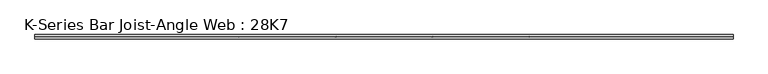
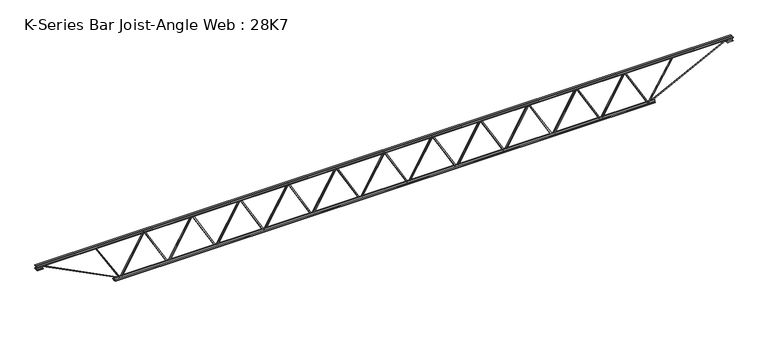
"""IFC4 building model written with IfcOpenShell, lengths in millimetres: beam geometry, K-Series Bar Joist-Angle Web : 28K7."""

from ifc_helpers import new_model, si_unit, frame, origin, place, context, project, spatial, polyline, outline, extrude, faceted_brep, source, transform, mapped, element, save


def k_series_bar_joist_angle_web_28k7_7d326d6a(model_context):
    return source(origin(), model_context, "Body", "SolidModel", [
        extrude(outline(polyline([(-4.7625, 4.7625), (-4.7625, 0.0), (-17.4625, 0.0), (-17.4625, 4.7625), (-4.7625, 4.7625)])), frame((3647.0121177, 0.0, -317.5), z_axis=(-0.5001273071298886, 0.0, 0.8659518905014332), x_axis=(0.0, -1.0, 0.0)), (0.0, 0.0, 1.0), 733.2970884),
        extrude(outline(polyline([(-352.425, 3679.03125), (-333.375, 3679.03125), (-333.375, 3678.1795779), (352.425, 3282.0983279), (352.425, 3263.9), (333.375, 3263.9), (333.375, 3271.1016721), (-352.425, 3667.1829221), (-352.425, 3679.03125)])), frame((0.0, 0.0, 0.0), z_axis=(0.0, 1.0, 0.0), x_axis=(0.0, 0.0, 1.0)), (0.0, 0.0, 1.0), 4.7625),
        faceted_brep([(2861.46875, 0.0, -333.375), (2861.46875, 0.0, -352.425), (2861.46875, -4.7625, -352.425), (2861.46875, -4.7625, -333.375), (2862.3204221, 0.0, -333.375), (3258.4016721, 0.0, 352.425), (3276.6, 0.0, 352.425), (3276.6, 0.0, 333.375), (3269.3983279, 0.0, 333.375), (2873.3170779, 0.0, -352.425), (2873.3170779, -4.7625, -352.425), (2893.4878823, -4.7625, -317.5), (2889.3637864, -4.7625, -315.1181437), (3256.1056845, -4.7625, 319.8818563), (3260.2297804, -4.7625, 317.5), (3269.3983279, -4.7625, 333.375), (3276.6, -4.7625, 333.375), (3276.6, -4.7625, 352.425), (3258.4016721, -4.7625, 352.425), (2862.3204221, -4.7625, -333.375), (3260.2297804, -17.4625, 317.5), (2893.4878823, -17.4625, -317.5), (2889.3637864, -17.4625, -315.1181437), (3256.1056845, -17.4625, 319.8818563)], [[[0, 1, 2, 3]], [[1, 0, 4, 5, 6, 7, 8, 9]], [[2, 1, 9, 10]], [[3, 2, 10, 11, 12, 13, 14, 15, 16, 17, 18, 19]], [[0, 3, 19, 4]], [[9, 8, 15, 14, 20, 21, 11, 10]], [[5, 4, 19, 18]], [[7, 6, 17, 16]], [[8, 7, 16, 15]], [[6, 5, 18, 17]], [[21, 22, 12, 11]], [[20, 14, 13, 23]], [[22, 21, 20, 23]], [[12, 22, 23, 13]]]),
        extrude(outline(polyline([(-4.7625, 4.7625), (-4.7625, 0.0), (-17.4625, 0.0), (-17.4625, 4.7625), (-4.7625, 4.7625)])), frame((2829.4496177, 0.0, -317.5), z_axis=(-0.5001273071298886, 0.0, 0.8659518905014332), x_axis=(0.0, -1.0, 0.0)), (0.0, 0.0, 1.0), 733.2970884),
        extrude(outline(polyline([(-352.425, 2861.46875), (-333.375, 2861.46875), (-333.375, 2860.6170779), (352.425, 2464.5358279), (352.425, 2446.3375), (333.375, 2446.3375), (333.375, 2453.5391721), (-352.425, 2849.6204221), (-352.425, 2861.46875)])), frame((0.0, 0.0, 0.0), z_axis=(0.0, 1.0, 0.0), x_axis=(0.0, 0.0, 1.0)), (0.0, 0.0, 1.0), 4.7625),
        faceted_brep([(2043.90625, 0.0, -333.375), (2043.90625, 0.0, -352.425), (2043.90625, -4.7625, -352.425), (2043.90625, -4.7625, -333.375), (2044.7579221, 0.0, -333.375), (2440.8391721, 0.0, 352.425), (2459.0375, 0.0, 352.425), (2459.0375, 0.0, 333.375), (2451.8358279, 0.0, 333.375), (2055.7545779, 0.0, -352.425), (2055.7545779, -4.7625, -352.425), (2075.9253823, -4.7625, -317.5), (2071.8012864, -4.7625, -315.1181437), (2438.5431845, -4.7625, 319.8818563), (2442.6672804, -4.7625, 317.5), (2451.8358279, -4.7625, 333.375), (2459.0375, -4.7625, 333.375), (2459.0375, -4.7625, 352.425), (2440.8391721, -4.7625, 352.425), (2044.7579221, -4.7625, -333.375), (2442.6672804, -17.4625, 317.5), (2075.9253823, -17.4625, -317.5), (2071.8012864, -17.4625, -315.1181437), (2438.5431845, -17.4625, 319.8818563)], [[[0, 1, 2, 3]], [[1, 0, 4, 5, 6, 7, 8, 9]], [[2, 1, 9, 10]], [[3, 2, 10, 11, 12, 13, 14, 15, 16, 17, 18, 19]], [[0, 3, 19, 4]], [[9, 8, 15, 14, 20, 21, 11, 10]], [[5, 4, 19, 18]], [[7, 6, 17, 16]], [[8, 7, 16, 15]], [[6, 5, 18, 17]], [[21, 22, 12, 11]], [[20, 14, 13, 23]], [[22, 21, 20, 23]], [[12, 22, 23, 13]]]),
        extrude(outline(polyline([(-4.7625, 4.7625), (-4.7625, 0.0), (-17.4625, 0.0), (-17.4625, 4.7625), (-4.7625, 4.7625)])), frame((2011.8871177, 0.0, -317.5), z_axis=(-0.5001273071298886, 0.0, 0.8659518905014332), x_axis=(0.0, -1.0, 0.0)), (0.0, 0.0, 1.0), 733.2970884),
        extrude(outline(polyline([(-352.425, 2043.90625), (-333.375, 2043.90625), (-333.375, 2043.0545779), (352.425, 1646.9733279), (352.425, 1628.775), (333.375, 1628.775), (333.375, 1635.9766721), (-352.425, 2032.0579221), (-352.425, 2043.90625)])), frame((0.0, 0.0, 0.0), z_axis=(0.0, 1.0, 0.0), x_axis=(0.0, 0.0, 1.0)), (0.0, 0.0, 1.0), 4.7625),
        faceted_brep([(1226.34375, 0.0, -333.375), (1226.34375, 0.0, -352.425), (1226.34375, -4.7625, -352.425), (1226.34375, -4.7625, -333.375), (1227.1954221, 0.0, -333.375), (1623.2766721, 0.0, 352.425), (1641.475, 0.0, 352.425), (1641.475, 0.0, 333.375), (1634.2733279, 0.0, 333.375), (1238.1920779, 0.0, -352.425), (1238.1920779, -4.7625, -352.425), (1258.3628823, -4.7625, -317.5), (1254.2387864, -4.7625, -315.1181437), (1620.9806845, -4.7625, 319.8818563), (1625.1047804, -4.7625, 317.5), (1634.2733279, -4.7625, 333.375), (1641.475, -4.7625, 333.375), (1641.475, -4.7625, 352.425), (1623.2766721, -4.7625, 352.425), (1227.1954221, -4.7625, -333.375), (1625.1047804, -17.4625, 317.5), (1258.3628823, -17.4625, -317.5), (1254.2387864, -17.4625, -315.1181437), (1620.9806845, -17.4625, 319.8818563)], [[[0, 1, 2, 3]], [[1, 0, 4, 5, 6, 7, 8, 9]], [[2, 1, 9, 10]], [[3, 2, 10, 11, 12, 13, 14, 15, 16, 17, 18, 19]], [[0, 3, 19, 4]], [[9, 8, 15, 14, 20, 21, 11, 10]], [[5, 4, 19, 18]], [[7, 6, 17, 16]], [[8, 7, 16, 15]], [[6, 5, 18, 17]], [[21, 22, 12, 11]], [[20, 14, 13, 23]], [[22, 21, 20, 23]], [[12, 22, 23, 13]]]),
        extrude(outline(polyline([(-4.7625, 4.7625), (-4.7625, 0.0), (-17.4625, 0.0), (-17.4625, 4.7625), (-4.7625, 4.7625)])), frame((1194.3246177, 0.0, -317.5), z_axis=(-0.5001273071298886, 0.0, 0.8659518905014332), x_axis=(0.0, -1.0, 0.0)), (0.0, 0.0, 1.0), 733.2970884),
        extrude(outline(polyline([(-352.425, 1226.34375), (-333.375, 1226.34375), (-333.375, 1225.4920779), (352.425, 829.4108279), (352.425, 811.2125), (333.375, 811.2125), (333.375, 818.4141721), (-352.425, 1214.4954221), (-352.425, 1226.34375)])), frame((0.0, 0.0, 0.0), z_axis=(0.0, 1.0, 0.0), x_axis=(0.0, 0.0, 1.0)), (0.0, 0.0, 1.0), 4.7625),
        faceted_brep([(408.78125, 0.0, -333.375), (408.78125, 0.0, -352.425), (408.78125, -4.7625, -352.425), (408.78125, -4.7625, -333.375), (409.6329221, 0.0, -333.375), (805.7141721, 0.0, 352.425), (823.9125, 0.0, 352.425), (823.9125, 0.0, 333.375), (816.7108279, 0.0, 333.375), (420.6295779, 0.0, -352.425), (420.6295779, -4.7625, -352.425), (440.8003823, -4.7625, -317.5), (436.6762864, -4.7625, -315.1181437), (803.4181845, -4.7625, 319.8818563), (807.5422804, -4.7625, 317.5), (816.7108279, -4.7625, 333.375), (823.9125, -4.7625, 333.375), (823.9125, -4.7625, 352.425), (805.7141721, -4.7625, 352.425), (409.6329221, -4.7625, -333.375), (807.5422804, -17.4625, 317.5), (440.8003823, -17.4625, -317.5), (436.6762864, -17.4625, -315.1181437), (803.4181845, -17.4625, 319.8818563)], [[[0, 1, 2, 3]], [[1, 0, 4, 5, 6, 7, 8, 9]], [[2, 1, 9, 10]], [[3, 2, 10, 11, 12, 13, 14, 15, 16, 17, 18, 19]], [[0, 3, 19, 4]], [[9, 8, 15, 14, 20, 21, 11, 10]], [[5, 4, 19, 18]], [[7, 6, 17, 16]], [[8, 7, 16, 15]], [[6, 5, 18, 17]], [[21, 22, 12, 11]], [[20, 14, 13, 23]], [[22, 21, 20, 23]], [[12, 22, 23, 13]]]),
        extrude(outline(polyline([(-4.7625, 4.7625), (-4.7625, 0.0), (-17.4625, 0.0), (-17.4625, 4.7625), (-4.7625, 4.7625)])), frame((376.7621177, 0.0, -317.5), z_axis=(-0.5001273071298886, 0.0, 0.8659518905014332), x_axis=(0.0, -1.0, 0.0)), (0.0, 0.0, 1.0), 733.2970884),
        extrude(outline(polyline([(-352.425, 408.78125), (-333.375, 408.78125), (-333.375, 407.9295779), (352.425, 11.8483279), (352.425, -6.35), (333.375, -6.35), (333.375, 0.8516721), (-352.425, 396.9329221), (-352.425, 408.78125)])), frame((0.0, 0.0, 0.0), z_axis=(0.0, 1.0, 0.0), x_axis=(0.0, 0.0, 1.0)), (0.0, 0.0, 1.0), 4.7625),
        faceted_brep([(-408.78125, 0.0, -333.375), (-408.78125, 0.0, -352.425), (-408.78125, -4.7625, -352.425), (-408.78125, -4.7625, -333.375), (-407.9295779, 0.0, -333.375), (-11.8483279, 0.0, 352.425), (6.35, 0.0, 352.425), (6.35, 0.0, 333.375), (-0.8516721, 0.0, 333.375), (-396.9329221, 0.0, -352.425), (-396.9329221, -4.7625, -352.425), (-376.7621177, -4.7625, -317.5), (-380.8862136, -4.7625, -315.1181437), (-14.1443155, -4.7625, 319.8818563), (-10.0202196, -4.7625, 317.5), (-0.8516721, -4.7625, 333.375), (6.35, -4.7625, 333.375), (6.35, -4.7625, 352.425), (-11.8483279, -4.7625, 352.425), (-407.9295779, -4.7625, -333.375), (-10.0202196, -17.4625, 317.5), (-376.7621177, -17.4625, -317.5), (-380.8862136, -17.4625, -315.1181437), (-14.1443155, -17.4625, 319.8818563)], [[[0, 1, 2, 3]], [[1, 0, 4, 5, 6, 7, 8, 9]], [[2, 1, 9, 10]], [[3, 2, 10, 11, 12, 13, 14, 15, 16, 17, 18, 19]], [[0, 3, 19, 4]], [[9, 8, 15, 14, 20, 21, 11, 10]], [[5, 4, 19, 18]], [[7, 6, 17, 16]], [[8, 7, 16, 15]], [[6, 5, 18, 17]], [[21, 22, 12, 11]], [[20, 14, 13, 23]], [[22, 21, 20, 23]], [[12, 22, 23, 13]]]),
        extrude(outline(polyline([(-4.7625, 4.7625), (-4.7625, 0.0), (-17.4625, 0.0), (-17.4625, 4.7625), (-4.7625, 4.7625)])), frame((-440.8003823, 0.0, -317.5), z_axis=(-0.5001273071298886, 0.0, 0.8659518905014332), x_axis=(0.0, -1.0, 0.0)), (0.0, 0.0, 1.0), 733.2970884),
        extrude(outline(polyline([(-352.425, -408.78125), (-333.375, -408.78125), (-333.375, -409.6329221), (352.425, -805.7141721), (352.425, -823.9125), (333.375, -823.9125), (333.375, -816.7108279), (-352.425, -420.6295779), (-352.425, -408.78125)])), frame((0.0, 0.0, 0.0), z_axis=(0.0, 1.0, 0.0), x_axis=(0.0, 0.0, 1.0)), (0.0, 0.0, 1.0), 4.7625),
        faceted_brep([(-1226.34375, 0.0, -333.375), (-1226.34375, 0.0, -352.425), (-1226.34375, -4.7625, -352.425), (-1226.34375, -4.7625, -333.375), (-1225.4920779, 0.0, -333.375), (-829.4108279, 0.0, 352.425), (-811.2125, 0.0, 352.425), (-811.2125, 0.0, 333.375), (-818.4141721, 0.0, 333.375), (-1214.4954221, 0.0, -352.425), (-1214.4954221, -4.7625, -352.425), (-1194.3246177, -4.7625, -317.5), (-1198.4487136, -4.7625, -315.1181437), (-831.7068155, -4.7625, 319.8818563), (-827.5827196, -4.7625, 317.5), (-818.4141721, -4.7625, 333.375), (-811.2125, -4.7625, 333.375), (-811.2125, -4.7625, 352.425), (-829.4108279, -4.7625, 352.425), (-1225.4920779, -4.7625, -333.375), (-827.5827196, -17.4625, 317.5), (-1194.3246177, -17.4625, -317.5), (-1198.4487136, -17.4625, -315.1181437), (-831.7068155, -17.4625, 319.8818563)], [[[0, 1, 2, 3]], [[1, 0, 4, 5, 6, 7, 8, 9]], [[2, 1, 9, 10]], [[3, 2, 10, 11, 12, 13, 14, 15, 16, 17, 18, 19]], [[0, 3, 19, 4]], [[9, 8, 15, 14, 20, 21, 11, 10]], [[5, 4, 19, 18]], [[7, 6, 17, 16]], [[8, 7, 16, 15]], [[6, 5, 18, 17]], [[21, 22, 12, 11]], [[20, 14, 13, 23]], [[22, 21, 20, 23]], [[12, 22, 23, 13]]]),
        extrude(outline(polyline([(-4.7625, 4.7625), (-4.7625, 0.0), (-17.4625, 0.0), (-17.4625, 4.7625), (-4.7625, 4.7625)])), frame((-1258.3628823, 0.0, -317.5), z_axis=(-0.5001273071298886, 0.0, 0.8659518905014332), x_axis=(0.0, -1.0, 0.0)), (0.0, 0.0, 1.0), 733.2970884),
        extrude(outline(polyline([(-352.425, -1226.34375), (-333.375, -1226.34375), (-333.375, -1227.1954221), (352.425, -1623.2766721), (352.425, -1641.475), (333.375, -1641.475), (333.375, -1634.2733279), (-352.425, -1238.1920779), (-352.425, -1226.34375)])), frame((0.0, 0.0, 0.0), z_axis=(0.0, 1.0, 0.0), x_axis=(0.0, 0.0, 1.0)), (0.0, 0.0, 1.0), 4.7625),
        faceted_brep([(-2043.90625, 0.0, -333.375), (-2043.90625, 0.0, -352.425), (-2043.90625, -4.7625, -352.425), (-2043.90625, -4.7625, -333.375), (-2043.0545779, 0.0, -333.375), (-1646.9733279, 0.0, 352.425), (-1628.775, 0.0, 352.425), (-1628.775, 0.0, 333.375), (-1635.9766721, 0.0, 333.375), (-2032.0579221, 0.0, -352.425), (-2032.0579221, -4.7625, -352.425), (-2011.8871177, -4.7625, -317.5), (-2016.0112136, -4.7625, -315.1181437), (-1649.2693155, -4.7625, 319.8818563), (-1645.1452196, -4.7625, 317.5), (-1635.9766721, -4.7625, 333.375), (-1628.775, -4.7625, 333.375), (-1628.775, -4.7625, 352.425), (-1646.9733279, -4.7625, 352.425), (-2043.0545779, -4.7625, -333.375), (-1645.1452196, -17.4625, 317.5), (-2011.8871177, -17.4625, -317.5), (-2016.0112136, -17.4625, -315.1181437), (-1649.2693155, -17.4625, 319.8818563)], [[[0, 1, 2, 3]], [[1, 0, 4, 5, 6, 7, 8, 9]], [[2, 1, 9, 10]], [[3, 2, 10, 11, 12, 13, 14, 15, 16, 17, 18, 19]], [[0, 3, 19, 4]], [[9, 8, 15, 14, 20, 21, 11, 10]], [[5, 4, 19, 18]], [[7, 6, 17, 16]], [[8, 7, 16, 15]], [[6, 5, 18, 17]], [[21, 22, 12, 11]], [[20, 14, 13, 23]], [[22, 21, 20, 23]], [[12, 22, 23, 13]]]),
        extrude(outline(polyline([(-4.7625, 4.7625), (-4.7625, 0.0), (-17.4625, 0.0), (-17.4625, 4.7625), (-4.7625, 4.7625)])), frame((-2075.9253823, 0.0, -317.5), z_axis=(-0.5001273071298886, 0.0, 0.8659518905014332), x_axis=(0.0, -1.0, 0.0)), (0.0, 0.0, 1.0), 733.2970884),
        extrude(outline(polyline([(-352.425, -2043.90625), (-333.375, -2043.90625), (-333.375, -2044.7579221), (352.425, -2440.8391721), (352.425, -2459.0375), (333.375, -2459.0375), (333.375, -2451.8358279), (-352.425, -2055.7545779), (-352.425, -2043.90625)])), frame((0.0, 0.0, 0.0), z_axis=(0.0, 1.0, 0.0), x_axis=(0.0, 0.0, 1.0)), (0.0, 0.0, 1.0), 4.7625),
        faceted_brep([(-2861.46875, 0.0, -333.375), (-2861.46875, 0.0, -352.425), (-2861.46875, -4.7625, -352.425), (-2861.46875, -4.7625, -333.375), (-2860.6170779, 0.0, -333.375), (-2464.5358279, 0.0, 352.425), (-2446.3375, 0.0, 352.425), (-2446.3375, 0.0, 333.375), (-2453.5391721, 0.0, 333.375), (-2849.6204221, 0.0, -352.425), (-2849.6204221, -4.7625, -352.425), (-2829.4496177, -4.7625, -317.5), (-2833.5737136, -4.7625, -315.1181437), (-2466.8318155, -4.7625, 319.8818563), (-2462.7077196, -4.7625, 317.5), (-2453.5391721, -4.7625, 333.375), (-2446.3375, -4.7625, 333.375), (-2446.3375, -4.7625, 352.425), (-2464.5358279, -4.7625, 352.425), (-2860.6170779, -4.7625, -333.375), (-2462.7077196, -17.4625, 317.5), (-2829.4496177, -17.4625, -317.5), (-2833.5737136, -17.4625, -315.1181437), (-2466.8318155, -17.4625, 319.8818563)], [[[0, 1, 2, 3]], [[1, 0, 4, 5, 6, 7, 8, 9]], [[2, 1, 9, 10]], [[3, 2, 10, 11, 12, 13, 14, 15, 16, 17, 18, 19]], [[0, 3, 19, 4]], [[9, 8, 15, 14, 20, 21, 11, 10]], [[5, 4, 19, 18]], [[7, 6, 17, 16]], [[8, 7, 16, 15]], [[6, 5, 18, 17]], [[21, 22, 12, 11]], [[20, 14, 13, 23]], [[22, 21, 20, 23]], [[12, 22, 23, 13]]]),
        extrude(outline(polyline([(-4.7625, 4.7625), (-4.7625, 0.0), (-17.4625, 0.0), (-17.4625, 4.7625), (-4.7625, 4.7625)])), frame((-2893.4878823, 0.0, -317.5), z_axis=(-0.5001273071298886, 0.0, 0.8659518905014332), x_axis=(0.0, -1.0, 0.0)), (0.0, 0.0, 1.0), 733.2970884),
        extrude(outline(polyline([(-352.425, -2861.46875), (-333.375, -2861.46875), (-333.375, -2862.3204221), (352.425, -3258.4016721), (352.425, -3276.6), (333.375, -3276.6), (333.375, -3269.3983279), (-352.425, -2873.3170779), (-352.425, -2861.46875)])), frame((0.0, 0.0, 0.0), z_axis=(0.0, 1.0, 0.0), x_axis=(0.0, 0.0, 1.0)), (0.0, 0.0, 1.0), 4.7625),
        faceted_brep([(-3679.03125, 0.0, -333.375), (-3679.03125, 0.0, -352.425), (-3679.03125, -4.7625, -352.425), (-3679.03125, -4.7625, -333.375), (-3678.1795779, 0.0, -333.375), (-3282.0983279, 0.0, 352.425), (-3263.9, 0.0, 352.425), (-3263.9, 0.0, 333.375), (-3271.1016721, 0.0, 333.375), (-3667.1829221, 0.0, -352.425), (-3667.1829221, -4.7625, -352.425), (-3647.0121177, -4.7625, -317.5), (-3651.1362136, -4.7625, -315.1181437), (-3284.3943155, -4.7625, 319.8818563), (-3280.2702196, -4.7625, 317.5), (-3271.1016721, -4.7625, 333.375), (-3263.9, -4.7625, 333.375), (-3263.9, -4.7625, 352.425), (-3282.0983279, -4.7625, 352.425), (-3678.1795779, -4.7625, -333.375), (-3280.2702196, -17.4625, 317.5), (-3647.0121177, -17.4625, -317.5), (-3651.1362136, -17.4625, -315.1181437), (-3284.3943155, -17.4625, 319.8818563)], [[[0, 1, 2, 3]], [[1, 0, 4, 5, 6, 7, 8, 9]], [[2, 1, 9, 10]], [[3, 2, 10, 11, 12, 13, 14, 15, 16, 17, 18, 19]], [[0, 3, 19, 4]], [[9, 8, 15, 14, 20, 21, 11, 10]], [[5, 4, 19, 18]], [[7, 6, 17, 16]], [[8, 7, 16, 15]], [[6, 5, 18, 17]], [[21, 22, 12, 11]], [[20, 14, 13, 23]], [[22, 21, 20, 23]], [[12, 22, 23, 13]]]),
        extrude(outline(polyline([(-4.7625, 4.7625), (-4.7625, 0.0), (-17.4625, 0.0), (-17.4625, 4.7625), (-4.7625, 4.7625)])), frame((4464.5746177, 0.0, -317.5), z_axis=(-0.5001273071298886, 0.0, 0.8659518905014332), x_axis=(0.0, -1.0, 0.0)), (0.0, 0.0, 1.0), 733.2970884),
        extrude(outline(polyline([(-352.425, 4496.59375), (-333.375, 4496.59375), (-333.375, 4495.7420779), (352.425, 4099.6608279), (352.425, 4081.4625), (333.375, 4081.4625), (333.375, 4088.6641721), (-352.425, 4484.7454221), (-352.425, 4496.59375)])), frame((0.0, 0.0, 0.0), z_axis=(0.0, 1.0, 0.0), x_axis=(0.0, 0.0, 1.0)), (0.0, 0.0, 1.0), 4.7625),
        faceted_brep([(3679.03125, 0.0, -333.375), (3679.03125, 0.0, -352.425), (3679.03125, -4.7625, -352.425), (3679.03125, -4.7625, -333.375), (3679.8829221, 0.0, -333.375), (4075.9641721, 0.0, 352.425), (4094.1625, 0.0, 352.425), (4094.1625, 0.0, 333.375), (4086.9608279, 0.0, 333.375), (3690.8795779, 0.0, -352.425), (3690.8795779, -4.7625, -352.425), (3711.0503823, -4.7625, -317.5), (3706.9262864, -4.7625, -315.1181437), (4073.6681845, -4.7625, 319.8818563), (4077.7922804, -4.7625, 317.5), (4086.9608279, -4.7625, 333.375), (4094.1625, -4.7625, 333.375), (4094.1625, -4.7625, 352.425), (4075.9641721, -4.7625, 352.425), (3679.8829221, -4.7625, -333.375), (4077.7922804, -17.4625, 317.5), (3711.0503823, -17.4625, -317.5), (3706.9262864, -17.4625, -315.1181437), (4073.6681845, -17.4625, 319.8818563)], [[[0, 1, 2, 3]], [[1, 0, 4, 5, 6, 7, 8, 9]], [[2, 1, 9, 10]], [[3, 2, 10, 11, 12, 13, 14, 15, 16, 17, 18, 19]], [[0, 3, 19, 4]], [[9, 8, 15, 14, 20, 21, 11, 10]], [[5, 4, 19, 18]], [[7, 6, 17, 16]], [[8, 7, 16, 15]], [[6, 5, 18, 17]], [[21, 22, 12, 11]], [[20, 14, 13, 23]], [[22, 21, 20, 23]], [[12, 22, 23, 13]]]),
        extrude(outline(polyline([(-4.7625, 4.7625), (-4.7625, 0.0), (-17.4625, 0.0), (-17.4625, 4.7625), (-4.7625, 4.7625)])), frame((-3711.0503823, 0.0, -317.5), z_axis=(-0.5001273071298886, 0.0, 0.8659518905014332), x_axis=(0.0, -1.0, 0.0)), (0.0, 0.0, 1.0), 733.2970884),
        extrude(outline(polyline([(-352.425, -3679.03125), (-333.375, -3679.03125), (-333.375, -3679.8829221), (352.425, -4075.9641721), (352.425, -4094.1625), (333.375, -4094.1625), (333.375, -4086.9608279), (-352.425, -3690.8795779), (-352.425, -3679.03125)])), frame((0.0, 0.0, 0.0), z_axis=(0.0, 1.0, 0.0), x_axis=(0.0, 0.0, 1.0)), (0.0, 0.0, 1.0), 4.7625),
        faceted_brep([(-4496.59375, 0.0, -333.375), (-4496.59375, 0.0, -352.425), (-4496.59375, -4.7625, -352.425), (-4496.59375, -4.7625, -333.375), (-4495.7420779, 0.0, -333.375), (-4099.6608279, 0.0, 352.425), (-4081.4625, 0.0, 352.425), (-4081.4625, 0.0, 333.375), (-4088.6641721, 0.0, 333.375), (-4484.7454221, 0.0, -352.425), (-4484.7454221, -4.7625, -352.425), (-4464.5746177, -4.7625, -317.5), (-4468.6987136, -4.7625, -315.1181437), (-4101.9568155, -4.7625, 319.8818563), (-4097.8327196, -4.7625, 317.5), (-4088.6641721, -4.7625, 333.375), (-4081.4625, -4.7625, 333.375), (-4081.4625, -4.7625, 352.425), (-4099.6608279, -4.7625, 352.425), (-4495.7420779, -4.7625, -333.375), (-4097.8327196, -17.4625, 317.5), (-4464.5746177, -17.4625, -317.5), (-4468.6987136, -17.4625, -315.1181437), (-4101.9568155, -17.4625, 319.8818563)], [[[0, 1, 2, 3]], [[1, 0, 4, 5, 6, 7, 8, 9]], [[2, 1, 9, 10]], [[3, 2, 10, 11, 12, 13, 14, 15, 16, 17, 18, 19]], [[0, 3, 19, 4]], [[9, 8, 15, 14, 20, 21, 11, 10]], [[5, 4, 19, 18]], [[7, 6, 17, 16]], [[8, 7, 16, 15]], [[6, 5, 18, 17]], [[21, 22, 12, 11]], [[20, 14, 13, 23]], [[22, 21, 20, 23]], [[12, 22, 23, 13]]]),
        extrude(outline(polyline([(4.7625, 355.6), (36.5125, 355.6), (36.5125, 349.25), (11.1125, 349.25), (11.1125, 323.85), (4.7625, 323.85), (4.7625, 355.6)])), frame((-5918.99375, 0.0, 0.0), z_axis=(1.0, 0.0, 0.0), x_axis=(0.0, 1.0, 0.0)), (0.0, 0.0, 1.0), 11837.9875),
        extrude(outline(polyline([(-4.7625, 355.6), (-4.7625, 323.85), (-11.1125, 323.85), (-11.1125, 349.25), (-36.5125, 349.25), (-36.5125, 355.6), (-4.7625, 355.6)])), frame((-5918.99375, 0.0, 0.0), z_axis=(1.0, 0.0, 0.0), x_axis=(0.0, 1.0, 0.0)), (0.0, 0.0, 1.0), 11837.9875),
        extrude(outline(polyline([(-4.7625, 292.1), (-36.5125, 292.1), (-36.5125, 298.45), (-11.1125, 298.45), (-11.1125, 323.85), (-4.7625, 323.85), (-4.7625, 292.1)])), frame((-5918.99375, 0.0, 0.0), z_axis=(1.0, 0.0, 0.0), x_axis=(0.0, 1.0, 0.0)), (0.0, 0.0, 1.0), 101.6),
        extrude(outline(polyline([(36.5125, 292.1), (4.7625, 292.1), (4.7625, 323.85), (11.1125, 323.85), (11.1125, 298.45), (36.5125, 298.45), (36.5125, 292.1)])), frame((-5918.99375, 0.0, 0.0), z_axis=(1.0, 0.0, 0.0), x_axis=(0.0, 1.0, 0.0)), (0.0, 0.0, 1.0), 101.6),
        extrude(outline(polyline([(4.7625, 292.1), (4.7625, 323.85), (11.1125, 323.85), (11.1125, 298.45), (36.5125, 298.45), (36.5125, 292.1), (4.7625, 292.1)])), frame((5817.39375, 0.0, 0.0), z_axis=(1.0, 0.0, 0.0), x_axis=(0.0, 1.0, 0.0)), (0.0, 0.0, 1.0), 101.6),
        extrude(outline(polyline([(-4.7625, 292.1), (-36.5125, 292.1), (-36.5125, 298.45), (-11.1125, 298.45), (-11.1125, 323.85), (-4.7625, 323.85), (-4.7625, 292.1)])), frame((5817.39375, 0.0, 0.0), z_axis=(1.0, 0.0, 0.0), x_axis=(0.0, 1.0, 0.0)), (0.0, 0.0, 1.0), 101.6),
        extrude(outline(polyline([(4.7625, -355.6), (4.7625, -323.85), (11.1125, -323.85), (11.1125, -349.25), (36.5125, -349.25), (36.5125, -355.6), (4.7625, -355.6)])), frame((-4598.19375, 0.0, 0.0), z_axis=(1.0, 0.0, 0.0), x_axis=(0.0, 1.0, 0.0)), (0.0, 0.0, 1.0), 9196.3875),
        extrude(outline(polyline([(-4.7625, -355.6), (-36.5125, -355.6), (-36.5125, -349.25), (-11.1125, -349.25), (-11.1125, -323.85), (-4.7625, -323.85), (-4.7625, -355.6)])), frame((-4598.19375, 0.0, 0.0), z_axis=(1.0, 0.0, 0.0), x_axis=(0.0, 1.0, 0.0)), (0.0, 0.0, 1.0), 9196.3875),
        extrude(outline(polyline([(4.7625, 4.7625), (4.7625, -4.7625), (-4.7625, -4.7625), (-4.7625, 4.7625), (4.7625, 4.7625)])), frame((4496.59375, 0.0, -349.25), z_axis=(0.5190833381646853, 0.0, 0.8547236325501986), x_axis=(0.0, -1.0, 0.0)), (0.0, 0.0, 1.0), 787.5060129),
        extrude(outline(polyline([(4.7625, 4.7625), (4.7625, -4.7625), (-4.7625, -4.7625), (-4.7625, 4.7625), (4.7625, 4.7625)])), frame((-4496.59375, 0.0, -349.25), z_axis=(-0.5190833381646688, 0.0, 0.8547236325502087), x_axis=(0.0, -1.0, 0.0)), (0.0, 0.0, 1.0), 787.5060129),
        extrude(outline(polyline([(0.0, -9.525), (0.0, 0.0), (1482.4224263, 0.0), (1482.4224263, -9.525), (0.0, -9.525)])), frame((5819.5561827, -4.7625, 319.6067358), z_axis=(-0.45405411309056876, 0.0, 0.8909741087066094), x_axis=(-0.8909741087066094, 0.0, -0.45405411309056876)), (0.0, 0.0, 1.0), 9.525),
        extrude(outline(polyline([(0.0, -9.525), (0.0, 0.0), (1482.4224263, 0.0), (1482.4224263, -9.525), (0.0, -9.525)])), frame((-5819.5561827, 4.7625, 319.6067358), z_axis=(0.4540541130905676, 0.0, 0.89097410870661), x_axis=(0.89097410870661, 0.0, -0.4540541130905676)), (0.0, 0.0, 1.0), 9.525),
    ])


if __name__ == "__main__":
    model = new_model("IFC4")
    model_context = context("Model", 3, world=origin())
    ifc_project = project(units=[si_unit("LENGTHUNIT", "METRE", prefix="MILLI")], contexts=[model_context])
    site = spatial("IfcSite", under=ifc_project)
    building = spatial("IfcBuilding", under=site)
    placement = place(None, origin())
    k_series_bar_joist_angle_web_28k7_shape = k_series_bar_joist_angle_web_28k7_7d326d6a(model_context)
    element("IfcBeam", 1, ObjectType="K-Series Bar Joist-Angle Web : 28K7", at=placement, inside=building, context=model_context, shape_type="MappedRepresentation", body=[
        mapped(k_series_bar_joist_angle_web_28k7_shape, transform((0.0, 0.0, 0.0), x_axis=(1.0, 0.0, 0.0), y_axis=(0.0, 1.0, 0.0), z_axis=(0.0, 0.0, 1.0))),
    ])
    save(model, "model.ifc")
